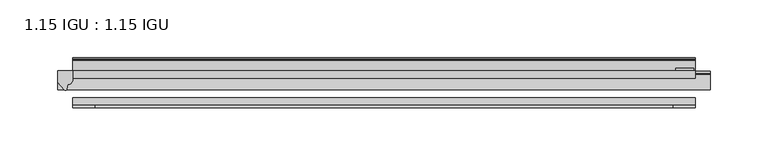
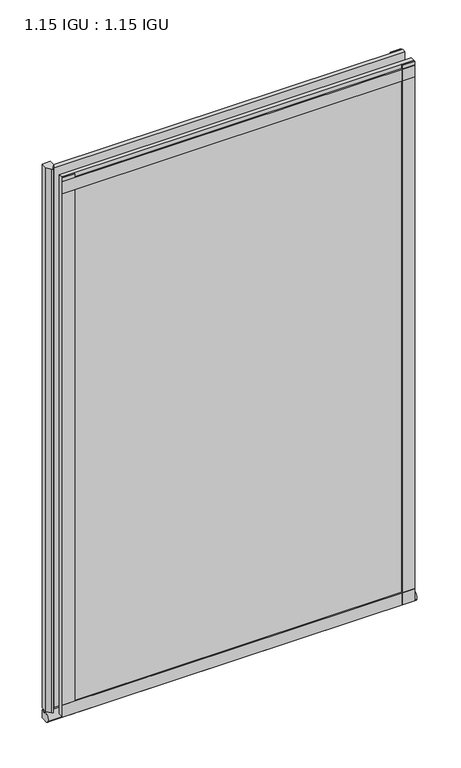
"""IFC4 building model written with IfcOpenShell, lengths in millimetres: plate geometry, 1.15 IGU : 1.15 IGU."""

from ifc_helpers import new_model, si_unit, point, frame, frame_2d, origin, place, context, project, spatial, polyline, circle_curve, ellipse_curve, trimmed, segment, composite_curve, outline, extrude, source, transform, mapped, element, save
from ifc_brep_helpers import plane_surface, revolved_surface, extruded_surface, advanced_brep


def plate_1_15_igu_1_15_igu_e3cc90c6(model_context):
    return source(origin(), model_context, "Body", "SolidModel", [
        extrude(outline(polyline([(268.6061906, 0.0), (268.6061906, -6.2992), (-268.6061906, -6.2992), (-268.6061906, 0.0), (268.6061906, 0.0)])), frame((0.0, 0.0, -19.05), z_axis=(0.0, 0.0, 1.0), x_axis=(1.0, 0.0, 0.0)), (0.0, 0.0, 1.0), 869.9368072),
        extrude(outline(polyline([(-268.6061906, -23.1648), (268.6061906, -23.1648), (268.6061906, -29.464), (-268.6061906, -29.464), (-268.6061906, -23.1648)])), frame((0.0, 0.0, -19.05), z_axis=(0.0, 0.0, 1.0), x_axis=(1.0, 0.0, 0.0)), (0.0, 0.0, 1.0), 869.9368072),
        advanced_brep(
        [(281.3061906, -2.9334208, -29.3692082), (281.3061906, -15.7658436, -30.8313288), (281.3061906, -6.7904952, -34.925), (281.3061906, 0.0, -34.925), (281.3061906, 0.0, -22.225), (281.3061906, -2.5187477, -22.225), (-281.3061906, -2.9073519, -29.3720514), (-281.3061906, -2.5187477, -22.225), (-281.3061906, 0.0, -22.225), (-281.3061906, 0.0, -34.925), (-281.3061906, -6.7904952, -34.925), (-281.3061906, -15.7658436, -30.8313288)],
        [
            (0, 1, ellipse_curve(frame((281.3061906, -9.5065066, -28.575), z_axis=(1.0, 0.0, 0.0), x_axis=(0.0, 0.0, -1.0)), 6.9638038, 6.6162554)),
            (1, 2, ellipse_curve(frame((281.3061906, -9.5065066, -28.575), z_axis=(1.0, 0.0, 0.0), x_axis=(0.0, 0.0, -1.0)), 6.9638038, 6.6162554)),
            (2, 3),
            (3, 4, circle_curve(frame((281.3061906, 24.1576838, -28.575), z_axis=(-1.0, 0.0, 0.0), x_axis=(0.0, 0.0, 1.0)), 24.9783143)),
            (4, 5),
            (5, 0, circle_curve(frame((281.3061906, -68.4358767, -22.225), z_axis=(-1.0, 0.0, 0.0), x_axis=(0.0, 0.0, 1.0)), 65.917129)),
            (6, 7, circle_curve(frame((-281.3061906, -68.4358767, -22.225), z_axis=(1.0, 0.0, 0.0), x_axis=(0.0, 0.0, 1.0)), 65.917129)),
            (7, 8),
            (8, 9, circle_curve(frame((-281.3061906, 24.1576838, -28.575), z_axis=(1.0, 0.0, 0.0), x_axis=(0.0, 0.0, 1.0)), 24.9783143)),
            (9, 10),
            (10, 11, ellipse_curve(frame((-281.3061906, -9.5065066, -28.575), z_axis=(-1.0, 0.0, 0.0), x_axis=(0.0, 0.0, -1.0)), 6.9638038, 6.6162554)),
            (11, 6, ellipse_curve(frame((-281.3061906, -9.5065066, -28.575), z_axis=(-1.0, 0.0, 0.0), x_axis=(0.0, 0.0, -1.0)), 6.9638038, 6.6162554)),
            (0, 6),
            (11, 1),
            (10, 2),
            (9, 3),
            (8, 4),
            (7, 5),
        ],
        [
            plane_surface(frame((281.3061906, 0.0, -28.575), z_axis=(1.0, 0.0, 0.0), x_axis=(0.0, 1.0, 0.0))),
            plane_surface(frame((-281.3061906, 0.0, -28.575), z_axis=(-1.0, 0.0, 0.0), x_axis=(0.0, 1.0, 0.0))),
            extruded_surface(trimmed(ellipse_curve(frame((-281.3061906, -9.5065066, -28.575), z_axis=(1.0, 0.0, 0.0), x_axis=(0.0, 0.0, -1.0)), 6.9638038, 6.6162554), [point((-281.3061906, -2.9334208, -29.3692082))], [point((-281.3061906, -15.7658436, -30.8313288))], True, "CARTESIAN"), (562.6123812, 0.0, 0.0), 562.6123812),
            extruded_surface(trimmed(ellipse_curve(frame((-281.3061906, -9.5065066, -28.575), z_axis=(1.0, 0.0, 0.0), x_axis=(0.0, 0.0, -1.0)), 6.9638038, 6.6162554), [point((-281.3061906, -15.7658436, -30.8313288))], [point((-281.3061906, -6.7904952, -34.925))], True, "CARTESIAN"), (562.6123812, 0.0, 0.0), 562.6123812),
            plane_surface(frame((281.3061906, -6.7904952, -34.925), z_axis=(0.0, 0.0, -1.0), x_axis=(-1.0, 0.0, 0.0))),
            revolved_surface(polyline([(-281.3061906, 24.1576838, -3.5966856999999983), (281.3061906, 24.1576838, -3.5966856999999983)]), (281.3061906, 24.1576838, -28.575), (-1.0, 0.0, 0.0)),
            plane_surface(frame((281.3061906, 0.0, -22.225), z_axis=(0.0, 0.0, 1.0), x_axis=(-1.0, 0.0, 0.0))),
            revolved_surface(polyline([(-281.3061906, -68.4358767, 43.692129), (281.3061906, -68.4358767, 43.692129)]), (281.3061906, -68.4358767, -22.225), (-1.0, 0.0, 0.0)),
        ],
        [
            (0, [[1, 2, 3, 4, 5, 6]]),
            (1, [[7, 8, 9, 10, 11, 12]]),
            (2, [[-1, 13, -12, 14]]),
            (3, [[-2, -14, -11, 15]]),
            (4, [[-3, -15, -10, 16]]),
            (5, [[-4, -16, -9, 17]]),
            (6, [[-5, -17, -8, 18]]),
            (7, [[-6, -18, -7, -13]]),
        ],
    ),
        extrude(outline(composite_curve([segment(polyline([(-268.6061906, 8.8e-06), (-268.6061906, -7.7683362)]), True, "CONTINUOUS"), segment(trimmed(circle_curve(frame_2d((-272.5776886, -7.7683362)), 3.9714979), [point((-268.6061906, -7.7683362))], [point((-272.7051404, -11.7377885))], False, "CARTESIAN"), True, "CONTINUOUS"), segment(polyline([(-272.7051404, -11.7377885), (-273.6851749, -16.012436)]), True, "CONTINUOUS"), segment(trimmed(circle_curve(frame_2d((-274.7863839, -15.7723555)), 1.1270758), [point((-273.6851749, -16.012436))], [point((-275.7402233, -16.372764))], False, "CARTESIAN"), True, "CONTINUOUS"), segment(polyline([(-275.7402233, -16.372764), (-281.3061906, -9.7395025), (-281.3061906, 8.8e-06), (-268.6061906, 8.8e-06)]), True, "CONTINUOUS")], self_intersect=False)), frame((0.0, 0.0, -19.05), z_axis=(0.0, 0.0, 1.0), x_axis=(1.0, 0.0, 0.0)), (0.0, 0.0, 1.0), 877.0742072),
        extrude(outline(polyline([(-268.6061906, -31.75), (-268.6061906, -29.464), (268.6061906, -29.464), (268.6061906, -31.75), (-268.6061906, -31.75)])), frame((0.0, 0.0, -19.05), z_axis=(0.0, 0.0, 1.0), x_axis=(1.0, 0.0, 0.0)), (0.0, 0.0, 1.0), 19.05),
        extrude(outline(composite_curve([segment(polyline([(8.509, 840.7300284), (8.509, 838.6980284), (6.35, 838.6980284), (6.35, 833.3640284), (8.9492698, 833.3640284)]), True, "CONTINUOUS"), segment(trimmed(circle_curve(frame_2d((8.208689, 831.8368072)), 1.697311), [point((8.9492698, 833.3640284))], [point((8.962411, 830.3160284))], False, "CARTESIAN"), True, "CONTINUOUS"), segment(polyline([(8.962411, 830.3160284), (6.35, 830.3160284), (6.35, 825.4868072), (11.1252, 825.4868072), (11.1252, 824.5978072)]), True, "CONTINUOUS"), segment(trimmed(circle_curve(frame_2d((10.1092, 824.5978072)), 1.016), [point((11.1252, 824.5978072))], [point((10.1092, 823.5818072))], False, "CARTESIAN"), True, "CONTINUOUS"), segment(trimmed(circle_curve(frame_2d((10.1092, 804.1707318)), 19.4110754), [point((10.1092, 823.5818072))], [point((0.0, 820.7416075))], True, "CARTESIAN"), True, "CONTINUOUS"), segment(polyline([(0.0, 820.7416075), (0.0, 840.7300284), (8.509, 840.7300284)]), True, "CONTINUOUS")], self_intersect=False)), frame((-268.6061906, 0.0, 0.0), z_axis=(1.0, 0.0, 0.0), x_axis=(0.0, 1.0, 0.0)), (0.0, 0.0, 1.0), 537.2123813),
        extrude(outline(polyline([(-268.6061906, -31.75), (-268.6061906, -29.464), (268.6061906, -29.464), (268.6061906, -31.75), (-268.6061906, -31.75)])), frame((0.0, 0.0, 825.4868072), z_axis=(0.0, 0.0, 1.0), x_axis=(1.0, 0.0, 0.0)), (0.0, 0.0, 1.0), 19.05),
        extrude(outline(polyline([(249.5561906, -29.464), (268.6061906, -29.464), (268.6061906, -31.75), (249.5561906, -31.75), (249.5561906, -29.464)])), frame((0.0, 0.0, -19.05), z_axis=(0.0, 0.0, 1.0), x_axis=(1.0, 0.0, 0.0)), (0.0, 0.0, 1.0), 869.9368072),
        extrude(outline(polyline([(267.3996906, 2.2860088), (267.3996906, 0.0021347), (251.5246906, 0.0021347), (251.5246906, 2.2860088), (267.3996906, 2.2860088)])), frame((0.0, 0.0, -19.05), z_axis=(0.0, 0.0, 1.0), x_axis=(1.0, 0.0, 0.0)), (0.0, 0.0, 1.0), 869.9368072),
        extrude(outline(polyline([(-268.6061906, -31.75), (-268.6061906, -29.464), (-249.5561906, -29.464), (-249.5561906, -31.75), (-268.6061906, -31.75)])), frame((0.0, 0.0, -19.05), z_axis=(0.0, 0.0, 1.0), x_axis=(1.0, 0.0, 0.0)), (0.0, 0.0, 1.0), 869.9368072),
    ])


if __name__ == "__main__":
    model = new_model("IFC4")
    model_context = context("Model", 3, world=origin())
    ifc_project = project(units=[si_unit("LENGTHUNIT", "METRE", prefix="MILLI")], contexts=[model_context])
    site = spatial("IfcSite", under=ifc_project)
    building = spatial("IfcBuilding", under=site)
    placement = place(None, origin())
    plate_1_15_igu_1_15_igu_shape = plate_1_15_igu_1_15_igu_e3cc90c6(model_context)
    element("IfcPlate", 1, ObjectType="1.15 IGU : 1.15 IGU", at=placement, inside=building, context=model_context, shape_type="MappedRepresentation", body=[
        mapped(plate_1_15_igu_1_15_igu_shape, transform((0.0, 0.0, 0.0), x_axis=(1.0, 0.0, 0.0), y_axis=(0.0, 1.0, 0.0), z_axis=(0.0, 0.0, 1.0))),
    ])
    save(model, "model.ifc")
